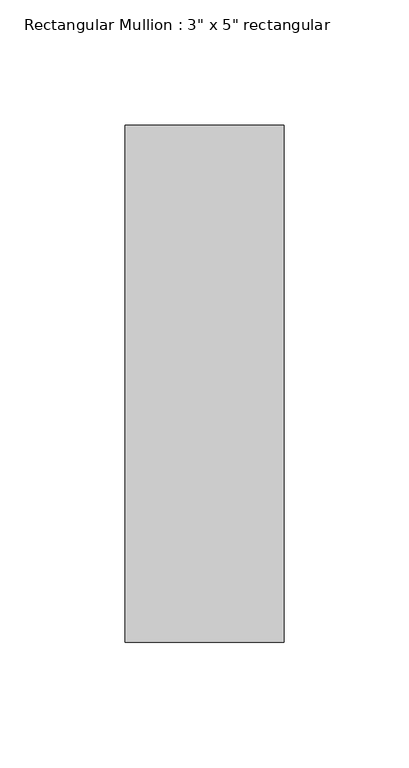
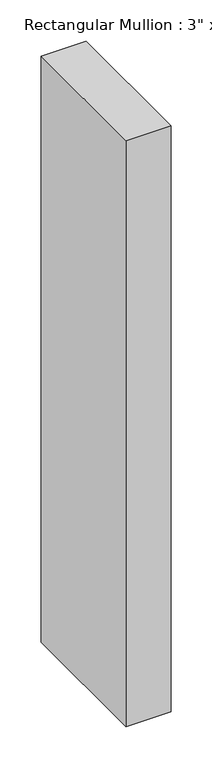
"""IFC4 building model written with IfcOpenShell, lengths in millimetres: member geometry."""

from ifc_helpers import new_model, si_unit, frame, origin, place, context, project, spatial, polyline, outline, extrude, source, transform, mapped, element, save


def member_78d68ea5(model_context):
    return source(origin(), model_context, "Body", "SweptSolid", [
        extrude(outline(polyline([(0.0, 90.551), (0.0, -115.951), (-63.5, -115.951), (-63.5, 90.551), (0.0, 90.551)])), frame((0.0, 0.0, -869.95), z_axis=(0.0, 0.0, 1.0), x_axis=(1.0, 0.0, 0.0)), (0.0, 0.0, 1.0), 869.95),
    ])


if __name__ == "__main__":
    model = new_model("IFC4")
    model_context = context("Model", 3, world=origin())
    ifc_project = project(units=[si_unit("LENGTHUNIT", "METRE", prefix="MILLI")], contexts=[model_context])
    site = spatial("IfcSite", under=ifc_project)
    building = spatial("IfcBuilding", under=site)
    placement = place(None, origin())
    member_shape = member_78d68ea5(model_context)
    element("IfcMember", 1, ObjectType="Rectangular Mullion : 3\" x 5\" rectangular", at=placement, inside=building, context=model_context, shape_type="MappedRepresentation", body=[
        mapped(member_shape, transform((0.0, 0.0, 0.0), x_axis=(1.0, 0.0, 0.0), y_axis=(0.0, 1.0, 0.0), z_axis=(0.0, 0.0, 1.0))),
    ])
    save(model, "model.ifc")
